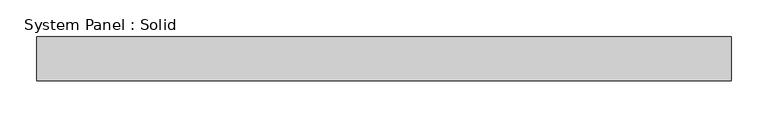
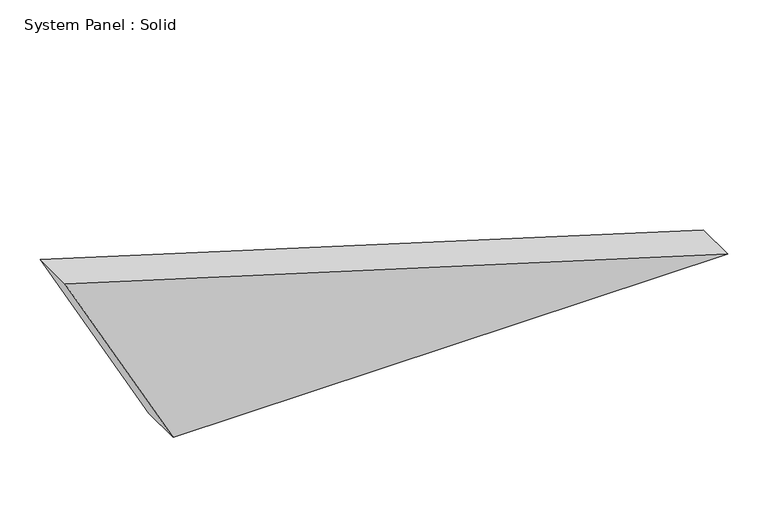
"""IFC4 building model written with IfcOpenShell, lengths in millimetres: plate geometry, System Panel : Solid."""

from ifc_helpers import new_model, si_unit, frame, origin, place, context, project, spatial, polyline, outline, extrude, source, transform, mapped, element, save


def system_panel_solid_7371f4c1(model_context):
    return source(origin(), model_context, "Body", "SweptSolid", [
        extrude(outline(polyline([(0.0, -318.0947592), (0.0, 472.6255452), (285.842739, -472.6255452), (0.0, -318.0947592)])), frame((0.0, -10.5, 0.0), z_axis=(0.0, 1.0, 0.0), x_axis=(0.0, 0.0, 1.0)), (0.0, 0.0, 1.0), 60.0),
    ])


if __name__ == "__main__":
    model = new_model("IFC4")
    model_context = context("Model", 3, world=origin())
    ifc_project = project(units=[si_unit("LENGTHUNIT", "METRE", prefix="MILLI")], contexts=[model_context])
    site = spatial("IfcSite", under=ifc_project)
    building = spatial("IfcBuilding", under=site)
    placement = place(None, origin())
    system_panel_solid_shape = system_panel_solid_7371f4c1(model_context)
    element("IfcPlate", 1, ObjectType="System Panel : Solid", at=placement, inside=building, context=model_context, shape_type="MappedRepresentation", body=[
        mapped(system_panel_solid_shape, transform((0.0, 0.0, 0.0), x_axis=(1.0, 0.0, 0.0), y_axis=(0.0, 1.0, 0.0), z_axis=(0.0, 0.0, 1.0))),
    ])
    save(model, "model.ifc")
